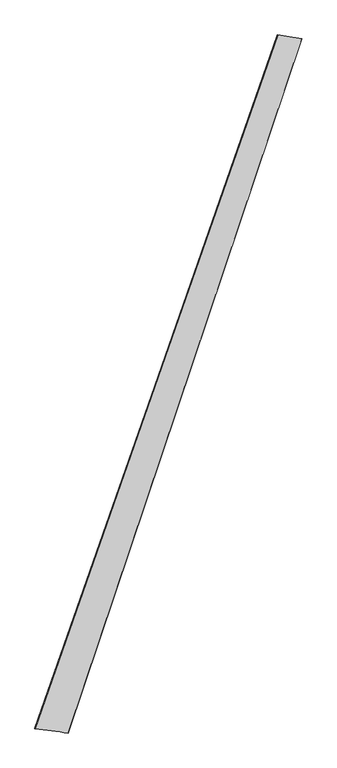
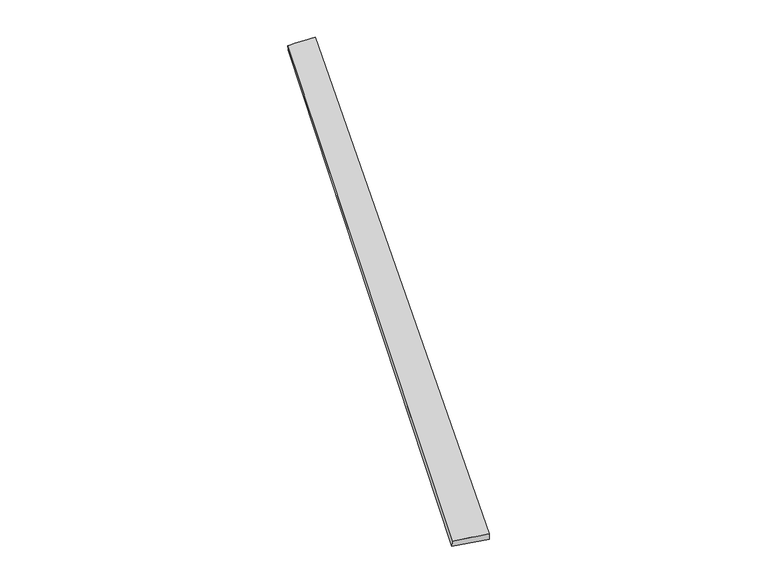
"""IFC4 building model written with IfcOpenShell, lengths in millimetres: proxy geometry."""

from ifc_helpers import new_model, si_unit, frame, origin, place, context, project, spatial, source, transform, mapped, element, save
from ifc_brep_helpers import plane_surface, spline_surface, advanced_brep


def generic_models_acd2f1b2(model_context):
    return source(origin(), model_context, "Body", "AdvancedBrep", [
        advanced_brep(
        [(-686.8148363, -1739.9309186, 4.3724127), (-685.1260415, -1740.4437837, 34.3204501), (673.1055386, 2144.321292, 23.7648249), (676.5314128, 2143.0388096, -6.011317), (-499.7179654, -1765.7555159, 25.6022405), (809.499048, 2122.6569374, 35.9712503), (-500.7721839, -1765.3196459, -4.3760623), (811.0556073, 2122.2117548, 6.0149666)],
        [
            (0, 1),
            (1, 2),
            (2, 3),
            (3, 0),
            (1, 4),
            (4, 5),
            (5, 2),
            (4, 6),
            (6, 7),
            (7, 5),
            (6, 0),
            (3, 7),
        ],
        [
            spline_surface(1, 1, [[(-686.8148363, -1739.9309186, 4.3724127), (676.5314128, 2143.0388096, -6.011317)], [(-685.1260415, -1740.4437837, 34.3204501), (673.1055386, 2144.321292, 23.7648249)]], [2, 2], [2, 2], [0.0, 1.0], [0.0, 1.0]),
            spline_surface(1, 1, [[(-685.1260415, -1740.4437837, 34.3204501), (673.1055386, 2144.321292, 23.7648249)], [(-499.7179654, -1765.7555159, 25.6022405), (809.499048, 2122.6569374, 35.9712503)]], [2, 2], [2, 2], [0.0, 1.0], [0.0, 1.0]),
            spline_surface(1, 1, [[(-499.7179654, -1765.7555159, 25.6022405), (809.499048, 2122.6569374, 35.9712503)], [(-500.7721839, -1765.3196459, -4.3760623), (811.0556073, 2122.2117548, 6.0149666)]], [2, 2], [2, 2], [0.0, 1.0], [0.0, 1.0]),
            spline_surface(1, 1, [[(-500.7721839, -1765.3196459, -4.3760623), (811.0556073, 2122.2117548, 6.0149666)], [(-686.8148363, -1739.9309186, 4.3724127), (676.5314128, 2143.0388096, -6.011317)]], [2, 2], [2, 2], [0.0, 1.0], [0.0, 1.0]),
            spline_surface(1, 1, [[(673.1055386, 2144.321292, 23.7648249), (676.5314128, 2143.0388096, -6.011317)], [(809.499048, 2122.6569374, 35.9712503), (811.0556073, 2122.2117548, 6.0149666)]], [2, 2], [2, 2], [0.0, 1.0], [0.0, 1.0]),
            plane_surface(frame((-593.1077568, -1752.862466, 14.9797602), z_axis=(-0.13565244403556292, -0.9907096441170395, -0.009634079129179761), x_axis=(0.9897427206253366, -0.13506745744270784, -0.04654169001142061))),
        ],
        [
            (0, [[1, 2, 3, 4]]),
            (1, [[5, 6, 7, -2]]),
            (2, [[8, 9, 10, -6]]),
            (3, [[11, -4, 12, -9]]),
            (4, [[-3, -7, -10, -12]]),
            (5, [[-11, -8, -5, -1]]),
        ],
    ),
    ])


if __name__ == "__main__":
    model = new_model("IFC4")
    model_context = context("Model", 3, world=origin())
    ifc_project = project(units=[si_unit("LENGTHUNIT", "METRE", prefix="MILLI")], contexts=[model_context])
    site = spatial("IfcSite", under=ifc_project)
    building = spatial("IfcBuilding", under=site)
    placement = place(None, origin())
    generic_models_shape = generic_models_acd2f1b2(model_context)
    element("IfcBuildingElementProxy", 1, Name="Generic Models", at=placement, inside=building, context=model_context, shape_type="MappedRepresentation", body=[
        mapped(generic_models_shape, transform((0.0, 0.0, 0.0), x_axis=(1.0, 0.0, 0.0), y_axis=(0.0, 1.0, 0.0), z_axis=(0.0, 0.0, 1.0))),
    ])
    save(model, "model.ifc")
